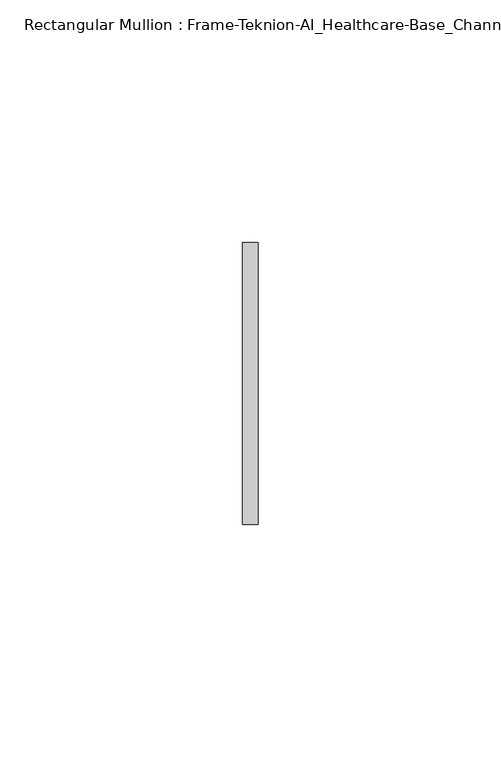
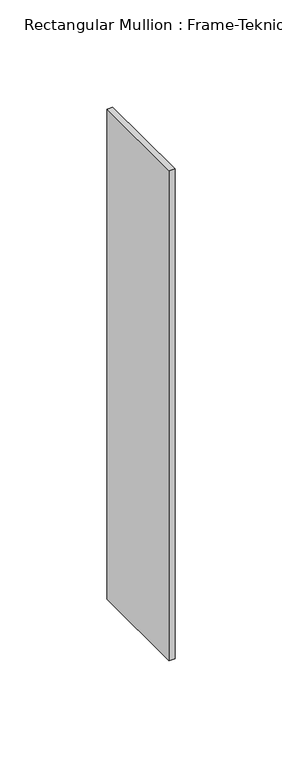
"""IFC4 building model written with IfcOpenShell, lengths in millimetres: member geometry, Rectangular Mullion : Frame-Teknion-AI_Healthcare-Base_Channel."""

from ifc_helpers import new_model, si_unit, frame, origin, place, context, project, spatial, polyline, outline, extrude, source, transform, mapped, element, save


def rectangular_mullion_frame_teknion_ai_healthcare_base_channel_d21d909f(model_context):
    return source(origin(), model_context, "Body", "SweptSolid", [
        extrude(outline(polyline([(0.0, 29.0214844), (0.0, -29.0214844), (-3.175, -29.0214844), (-3.175, 29.0214844), (0.0, 29.0214844)])), frame((0.0, 0.0, -279.4), z_axis=(0.0, 0.0, 1.0), x_axis=(1.0, 0.0, 0.0)), (0.0, 0.0, 1.0), 279.4),
    ])


if __name__ == "__main__":
    model = new_model("IFC4")
    model_context = context("Model", 3, world=origin())
    ifc_project = project(units=[si_unit("LENGTHUNIT", "METRE", prefix="MILLI")], contexts=[model_context])
    site = spatial("IfcSite", under=ifc_project)
    building = spatial("IfcBuilding", under=site)
    placement = place(None, origin())
    rectangular_mullion_frame_teknion_ai_healthcare_base_channel_shape = rectangular_mullion_frame_teknion_ai_healthcare_base_channel_d21d909f(model_context)
    element("IfcMember", 1, ObjectType="Rectangular Mullion : Frame-Teknion-AI_Healthcare-Base_Channel", at=placement, inside=building, context=model_context, shape_type="MappedRepresentation", body=[
        mapped(rectangular_mullion_frame_teknion_ai_healthcare_base_channel_shape, transform((0.0, 0.0, 0.0), x_axis=(1.0, 0.0, 0.0), y_axis=(0.0, 1.0, 0.0), z_axis=(0.0, 0.0, 1.0))),
    ])
    save(model, "model.ifc")
